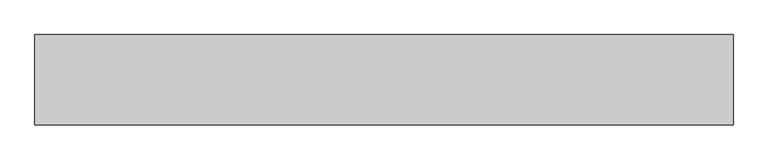
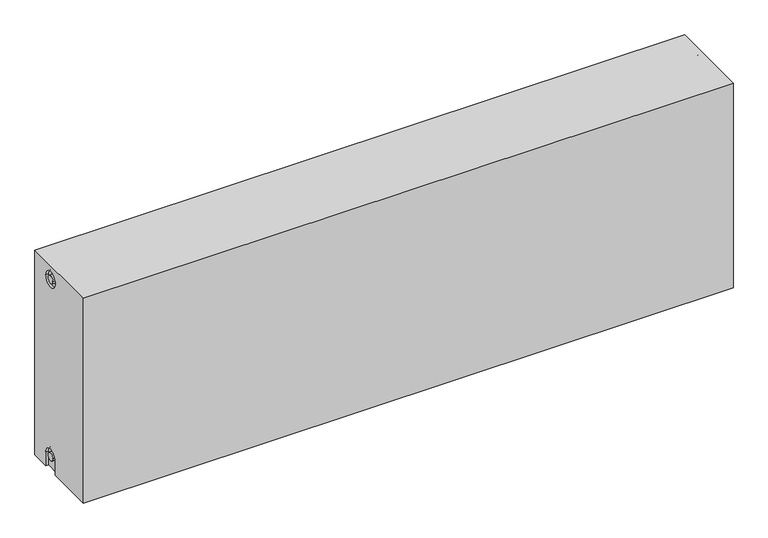
"""IFC4 building model written with IfcOpenShell, lengths in millimetres: proxy geometry."""

from ifc_helpers import new_model, si_unit, frame, origin, place, context, project, spatial, polyline, circle_curve, source, transform, mapped, element, save
from ifc_brep_helpers import plane_surface, cylinder_surface, revolved_surface, advanced_brep


def mechanical_equipment_85ef4426(model_context):
    return source(origin(), model_context, "Body", "AdvancedBrep", [
        advanced_brep(
        [(1200.0, 77.5, 400.0), (1200.0, 77.5, 0.0), (0.0, 77.5, 0.0), (0.0, 77.5, 400.0), (1200.0, -77.5, 400.0), (0.0, -77.5, 400.0), (0.0, -77.5, 0.0), (1200.0, -77.5, 0.0), (1200.0, 12.5, 0.0), (1200.0, 12.5, 27.0), (1200.0, 42.5, 27.0), (1200.0, 42.5, 0.0), (1200.0, 42.2242393, 373.0), (1200.0, 12.2242393, 373.0), (1200.0, 34.7242393, 373.0), (1200.0, 19.7242393, 373.0), (1200.0, 20.0, 27.0), (1200.0, 35.0, 27.0), (1195.0, 42.5, 0.0), (1195.0, 12.5, 0.0), (0.0, 12.5, 0.0), (5.0, 12.5, 0.0), (5.0, 42.5, 0.0), (0.0, 42.5, 0.0), (0.0, 42.5, 27.0), (0.0, 12.5, 27.0), (0.0, 12.2242393, 373.0), (0.0, 42.2242393, 373.0), (0.0, 19.7242393, 373.0), (0.0, 34.7242393, 373.0), (0.0, 35.0682726, 27.0), (0.0, 20.0682726, 27.0), (5.0, 12.2242393, 373.0), (5.0, 42.2242393, 373.0), (5.0, 19.7242393, 373.0), (5.0, 34.7242393, 373.0), (5.0, 12.5, 27.0), (5.0, 42.5, 27.0), (5.0, 20.0682726, 27.0), (5.0, 35.0682726, 27.0), (1195.0, 12.2242393, 373.0), (1195.0, 42.2242393, 373.0), (1195.0, 19.7242393, 373.0), (1195.0, 34.7242393, 373.0), (1195.0, 42.5, 27.0), (1195.0, 12.5, 27.0), (1195.0, 20.0, 27.0), (1195.0, 35.0, 27.0)],
        [
            (0, 1),
            (1, 2),
            (2, 3),
            (3, 0),
            (4, 5),
            (5, 6),
            (6, 7),
            (7, 4),
            (0, 4),
            (7, 8),
            (8, 9),
            (9, 10, circle_curve(frame((1200.0, 27.5, 27.0), z_axis=(-1.0, 0.0, 0.0), x_axis=(0.0, 1.0, 0.0)), 15.0)),
            (10, 11),
            (11, 1),
            (12, 13, circle_curve(frame((1200.0, 27.2242393, 373.0), z_axis=(-1.0, 0.0, 0.0), x_axis=(0.0, 1.0, 0.0)), 15.0)),
            (13, 12, circle_curve(frame((1200.0, 27.2242393, 373.0), z_axis=(-1.0, 0.0, 0.0), x_axis=(0.0, 1.0, 0.0)), 15.0)),
            (14, 15, circle_curve(frame((1200.0, 27.2242393, 373.0), z_axis=(1.0, 0.0, 0.0), x_axis=(0.0, 1.0, 0.0)), 7.5)),
            (15, 14, circle_curve(frame((1200.0, 27.2242393, 373.0), z_axis=(1.0, 0.0, 0.0), x_axis=(0.0, 1.0, 0.0)), 7.5)),
            (16, 17, circle_curve(frame((1200.0, 27.5, 27.0), z_axis=(1.0, 0.0, 0.0), x_axis=(0.0, 1.0, 0.0)), 7.5)),
            (17, 16, circle_curve(frame((1200.0, 27.5, 27.0), z_axis=(1.0, 0.0, 0.0), x_axis=(0.0, 1.0, 0.0)), 7.5)),
            (11, 18),
            (18, 19),
            (19, 8),
            (6, 20),
            (20, 21),
            (21, 22),
            (22, 23),
            (23, 2),
            (23, 24),
            (24, 25, circle_curve(frame((0.0, 27.5, 27.0), z_axis=(1.0, 0.0, 0.0), x_axis=(0.0, 1.0, 0.0)), 15.0)),
            (25, 20),
            (5, 3),
            (26, 27, circle_curve(frame((0.0, 27.2242393, 373.0), z_axis=(1.0, 0.0, 0.0), x_axis=(0.0, 1.0, 0.0)), 15.0)),
            (27, 26, circle_curve(frame((0.0, 27.2242393, 373.0), z_axis=(1.0, 0.0, 0.0), x_axis=(0.0, 1.0, 0.0)), 15.0)),
            (28, 29, circle_curve(frame((0.0, 27.2242393, 373.0), z_axis=(-1.0, 0.0, 0.0), x_axis=(0.0, 1.0, 0.0)), 7.5)),
            (29, 28, circle_curve(frame((0.0, 27.2242393, 373.0), z_axis=(-1.0, 0.0, 0.0), x_axis=(0.0, 1.0, 0.0)), 7.5)),
            (30, 31, circle_curve(frame((0.0, 27.5682726, 27.0), z_axis=(-1.0, 0.0, 0.0), x_axis=(0.0, 1.0, 0.0)), 7.5)),
            (31, 30, circle_curve(frame((0.0, 27.5682726, 27.0), z_axis=(-1.0, 0.0, 0.0), x_axis=(0.0, 1.0, 0.0)), 7.5)),
            (32, 33, circle_curve(frame((5.0, 27.2242393, 373.0), z_axis=(-1.0, 0.0, 0.0), x_axis=(0.0, 1.0, 0.0)), 15.0)),
            (33, 32, circle_curve(frame((5.0, 27.2242393, 373.0), z_axis=(-1.0, 0.0, 0.0), x_axis=(0.0, 1.0, 0.0)), 15.0)),
            (34, 35, circle_curve(frame((5.0, 27.2242393, 373.0), z_axis=(1.0, 0.0, 0.0), x_axis=(0.0, 1.0, 0.0)), 7.5)),
            (35, 34, circle_curve(frame((5.0, 27.2242393, 373.0), z_axis=(1.0, 0.0, 0.0), x_axis=(0.0, 1.0, 0.0)), 7.5)),
            (33, 27),
            (26, 32),
            (35, 29),
            (28, 34),
            (21, 36),
            (36, 37, circle_curve(frame((5.0, 27.5, 27.0), z_axis=(-1.0, 0.0, 0.0), x_axis=(0.0, 1.0, 0.0)), 15.0)),
            (37, 22),
            (38, 39, circle_curve(frame((5.0, 27.5682726, 27.0), z_axis=(1.0, 0.0, 0.0), x_axis=(0.0, 1.0, 0.0)), 7.5)),
            (39, 38, circle_curve(frame((5.0, 27.5682726, 27.0), z_axis=(1.0, 0.0, 0.0), x_axis=(0.0, 1.0, 0.0)), 7.5)),
            (38, 31),
            (30, 39),
            (37, 24),
            (36, 25),
            (40, 41, circle_curve(frame((1195.0, 27.2242393, 373.0), z_axis=(1.0, 0.0, 0.0), x_axis=(0.0, 1.0, 0.0)), 15.0)),
            (41, 40, circle_curve(frame((1195.0, 27.2242393, 373.0), z_axis=(1.0, 0.0, 0.0), x_axis=(0.0, 1.0, 0.0)), 15.0)),
            (42, 43, circle_curve(frame((1195.0, 27.2242393, 373.0), z_axis=(-1.0, 0.0, 0.0), x_axis=(0.0, 1.0, 0.0)), 7.5)),
            (43, 42, circle_curve(frame((1195.0, 27.2242393, 373.0), z_axis=(-1.0, 0.0, 0.0), x_axis=(0.0, 1.0, 0.0)), 7.5)),
            (40, 13),
            (12, 41),
            (42, 15),
            (14, 43),
            (18, 44),
            (44, 45, circle_curve(frame((1195.0, 27.5, 27.0), z_axis=(1.0, 0.0, 0.0), x_axis=(0.0, 1.0, 0.0)), 15.0)),
            (45, 19),
            (46, 47, circle_curve(frame((1195.0, 27.5, 27.0), z_axis=(-1.0, 0.0, 0.0), x_axis=(0.0, 1.0, 0.0)), 7.5)),
            (47, 46, circle_curve(frame((1195.0, 27.5, 27.0), z_axis=(-1.0, 0.0, 0.0), x_axis=(0.0, 1.0, 0.0)), 7.5)),
            (47, 17),
            (16, 46),
            (10, 44),
            (9, 45),
        ],
        [
            plane_surface(frame((1200.0, 77.5, 400.0), z_axis=(0.0, 1.0, 0.0), x_axis=(0.0, 0.0, -1.0))),
            plane_surface(frame((1200.0, -77.5, 400.0), z_axis=(0.0, -1.0, 0.0), x_axis=(0.0, 0.0, 1.0))),
            plane_surface(frame((1200.0, 77.5, 400.0), z_axis=(1.0, 0.0, 0.0), x_axis=(0.0, -1.0, 0.0))),
            plane_surface(frame((1200.0, 77.5, 0.0), z_axis=(0.0, 0.0, -1.0), x_axis=(0.0, -1.0, 0.0))),
            plane_surface(frame((0.0, 77.5, 0.0), z_axis=(-1.0, 0.0, 0.0), x_axis=(0.0, -1.0, 0.0))),
            plane_surface(frame((0.0, 77.5, 400.0), z_axis=(0.0, 0.0, 1.0), x_axis=(0.0, -1.0, 0.0))),
            plane_surface(frame((5.0, 42.2242393, 373.0), z_axis=(-1.0, 0.0, 0.0), x_axis=(0.0, 0.0, 1.0))),
            revolved_surface(polyline([(5.0, 42.2242393, 373.0), (0.0, 42.2242393, 373.0)]), (0.0, 27.2242393, 373.0), (1.0, 0.0, 0.0)),
            cylinder_surface(frame((0.0, 27.2242393, 373.0), z_axis=(-1.0, 0.0, 0.0), x_axis=(0.0, 1.0, 0.0)), 7.5),
            plane_surface(frame((5.0, 35.0682726, 27.0), z_axis=(-1.0, 0.0, 0.0), x_axis=(0.0, 0.0, -1.0))),
            cylinder_surface(frame((0.0, 27.5682726, 27.0), z_axis=(-1.0, 0.0, 0.0), x_axis=(0.0, 1.0, 0.0)), 7.5),
            plane_surface(frame((5.0, 42.5, 0.0), z_axis=(0.0, -1.0, 0.0), x_axis=(-1.0, 0.0, 0.0))),
            revolved_surface(polyline([(5.0, 42.5, 27.0), (0.0, 42.5, 27.0)]), (0.0, 27.5, 27.0), (1.0, 0.0, 0.0)),
            plane_surface(frame((5.0, 12.5, 27.0), z_axis=(0.0, 1.0, 0.0), x_axis=(-1.0, 0.0, 0.0))),
            plane_surface(frame((1195.0, 42.2242393, 373.0), z_axis=(1.0, 0.0, 0.0), x_axis=(0.0, 0.0, -1.0))),
            revolved_surface(polyline([(1200.0, 42.2242393, 373.0), (1195.0, 42.2242393, 373.0)]), (1195.0, 27.2242393, 373.0), (1.0, 0.0, 0.0)),
            cylinder_surface(frame((1395.0, 27.2242393, 373.0), z_axis=(-1.0, 0.0, 0.0), x_axis=(0.0, 1.0, 0.0)), 7.5),
            plane_surface(frame((1195.0, 35.0, 27.0), z_axis=(1.0, 0.0, 0.0), x_axis=(0.0, 0.0, 1.0))),
            cylinder_surface(frame((1195.0, 27.5, 27.0), z_axis=(-1.0, 0.0, 0.0), x_axis=(0.0, 1.0, 0.0)), 7.5),
            plane_surface(frame((1200.0, 42.5, 0.0), z_axis=(0.0, -1.0, 0.0), x_axis=(-1.0, 0.0, 0.0))),
            revolved_surface(polyline([(1200.0, 42.5, 27.0), (1195.0, 42.5, 27.0)]), (1395.0, 27.5, 27.0), (1.0, 0.0, 0.0)),
            plane_surface(frame((1200.0, 12.5, 27.0), z_axis=(0.0, 1.0, 0.0), x_axis=(-1.0, 0.0, 0.0))),
        ],
        [
            (0, [[1, 2, 3, 4]]),
            (1, [[5, 6, 7, 8]]),
            (2, [[-1, 9, -8, 10, 11, 12, 13, 14], [15, 16]]),
            (2, [[17, 18]]),
            (2, [[19, 20]]),
            (3, [[-2, -14, 21, 22, 23, -10, -7, 24, 25, 26, 27, 28]]),
            (4, [[-3, -28, 29, 30, 31, -24, -6, 32], [33, 34]]),
            (4, [[35, 36]]),
            (4, [[37, 38]]),
            (5, [[-4, -32, -5, -9]]),
            (6, [[39, 40], [41, 42]]),
            (7, [[-40, 43, -33, 44]]),
            (7, [[-39, -44, -34, -43]]),
            (8, [[-42, 45, -35, 46]]),
            (8, [[-41, -46, -36, -45]]),
            (9, [[47, 48, 49, -26], [50, 51]]),
            (10, [[-50, 52, -37, 53]]),
            (10, [[-51, -53, -38, -52]]),
            (11, [[-49, 54, -29, -27]]),
            (12, [[-48, 55, -30, -54]]),
            (13, [[-47, -25, -31, -55]]),
            (14, [[56, 57], [58, 59]]),
            (15, [[-56, 60, -15, 61]]),
            (15, [[-57, -61, -16, -60]]),
            (16, [[-58, 62, -17, 63]]),
            (16, [[-59, -63, -18, -62]]),
            (17, [[64, 65, 66, -22], [67, 68]]),
            (18, [[-68, 69, -19, 70]]),
            (18, [[-67, -70, -20, -69]]),
            (19, [[-64, -21, -13, 71]]),
            (20, [[-65, -71, -12, 72]]),
            (21, [[-66, -72, -11, -23]]),
        ],
    ),
    ])


if __name__ == "__main__":
    model = new_model("IFC4")
    model_context = context("Model", 3, world=origin())
    ifc_project = project(units=[si_unit("LENGTHUNIT", "METRE", prefix="MILLI")], contexts=[model_context])
    site = spatial("IfcSite", under=ifc_project)
    building = spatial("IfcBuilding", under=site)
    placement = place(None, origin())
    mechanical_equipment_shape = mechanical_equipment_85ef4426(model_context)
    element("IfcBuildingElementProxy", 1, Name="Mechanical Equipment", at=placement, inside=building, context=model_context, shape_type="MappedRepresentation", body=[
        mapped(mechanical_equipment_shape, transform((0.0, 0.0, 0.0), x_axis=(1.0, 0.0, 0.0), y_axis=(0.0, 1.0, 0.0), z_axis=(0.0, 0.0, 1.0))),
    ])
    save(model, "model.ifc")
